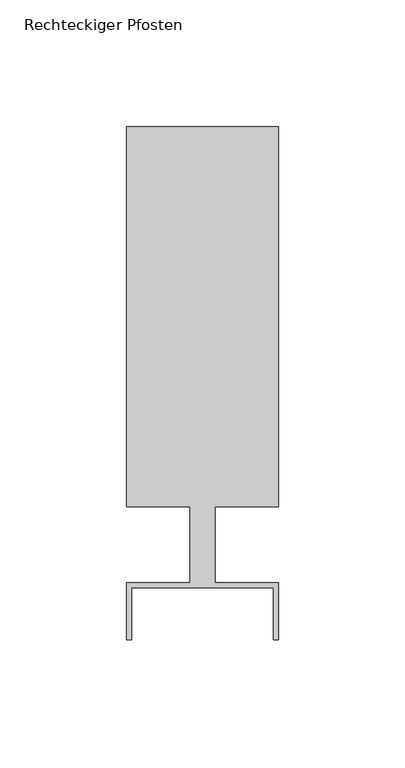
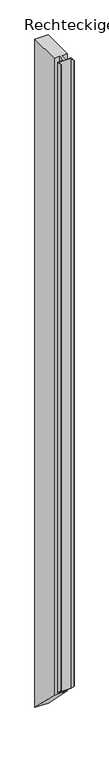
"""IFC4 building model written with IfcOpenShell, lengths in millimetres: member geometry, Rechteckiger Pfosten."""

from ifc_helpers import new_model, si_unit, origin, place, context, project, spatial, faceted_brep, source, transform, mapped, element, save


def rechteckiger_pfosten_3815ca8a(model_context):
    return source(origin(), model_context, "Body", "Brep", [
        faceted_brep([(28.0, -37.5, 0.0), (30.0, -37.5, 0.0), (30.0, -15.0, 0.0), (5.0, -15.0, 0.0), (5.0, 15.0, 0.0), (30.0, 15.0, 0.0), (30.0, 165.0, 0.0), (-30.0, 165.0, 0.0), (-30.0, 15.0, 0.0), (-5.0, 15.0, 0.0), (-5.0, -15.0, 0.0), (-30.0, -15.0, 0.0), (-30.0, -37.5, 0.0), (-28.0, -37.5, 0.0), (-28.0, -17.0, 0.0), (28.0, -17.0, 0.0), (28.0, -37.5, -2992.5643485), (30.0, -37.5, -2992.5643485), (30.0, -15.0, -3015.0643485), (5.0, -15.0, -3015.0643485), (5.0, 15.0, -3045.0643485), (30.0, 15.0, -3045.0643485), (30.0, 165.0, -3195.0643485), (-30.0, 165.0, -3195.0643485), (-30.0, 15.0, -3045.0643485), (-5.0, 15.0, -3045.0643485), (-5.0, -15.0, -3015.0643485), (-30.0, -15.0, -3015.0643485), (-30.0, -37.5, -2992.5643485), (-28.0, -37.5, -2992.5643485), (-28.0, -17.0, -3013.0643485), (28.0, -17.0, -3013.0643485)], [[[0, 1, 2, 3, 4, 5, 6, 7, 8, 9, 10, 11, 12, 13, 14, 15]], [[1, 0, 16, 17]], [[2, 1, 17, 18]], [[3, 2, 18, 19]], [[4, 3, 19, 20]], [[5, 4, 20, 21]], [[6, 5, 21, 22]], [[7, 6, 22, 23]], [[8, 7, 23, 24]], [[9, 8, 24, 25]], [[10, 9, 25, 26]], [[11, 10, 26, 27]], [[12, 11, 27, 28]], [[13, 12, 28, 29]], [[14, 13, 29, 30]], [[15, 14, 30, 31]], [[0, 15, 31, 16]], [[16, 31, 30, 29, 28, 27, 26, 25, 24, 23, 22, 21, 20, 19, 18, 17]]]),
    ])


if __name__ == "__main__":
    model = new_model("IFC4")
    model_context = context("Model", 3, world=origin())
    ifc_project = project(units=[si_unit("LENGTHUNIT", "METRE", prefix="MILLI")], contexts=[model_context])
    site = spatial("IfcSite", under=ifc_project)
    building = spatial("IfcBuilding", under=site)
    placement = place(None, origin())
    rechteckiger_pfosten_shape = rechteckiger_pfosten_3815ca8a(model_context)
    element("IfcMember", 1, ObjectType="Rechteckiger Pfosten", at=placement, inside=building, context=model_context, shape_type="MappedRepresentation", body=[
        mapped(rechteckiger_pfosten_shape, transform((0.0, 0.0, 0.0), x_axis=(1.0, 0.0, 0.0), y_axis=(0.0, 1.0, 0.0), z_axis=(0.0, 0.0, 1.0))),
    ])
    save(model, "model.ifc")
